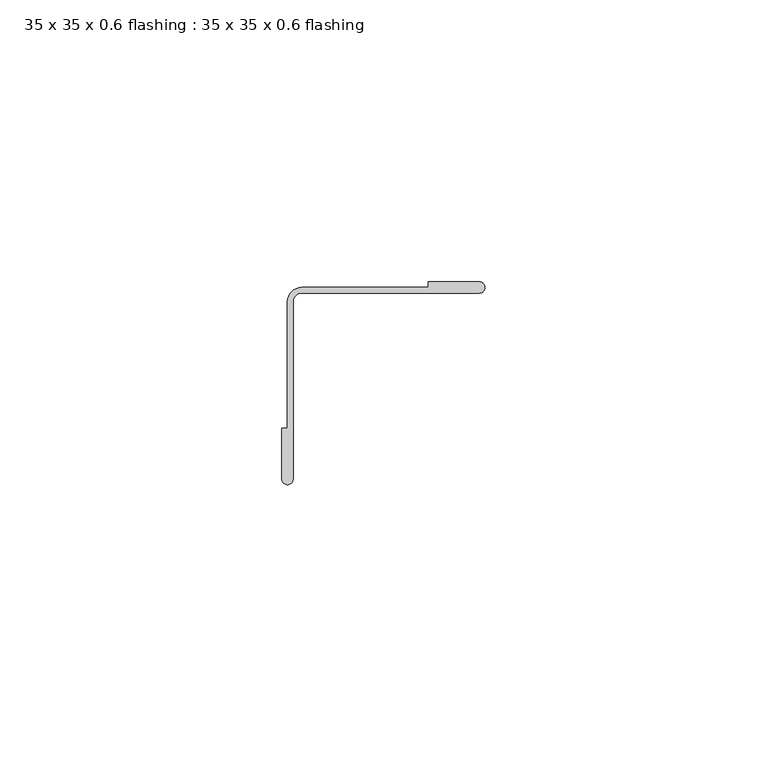
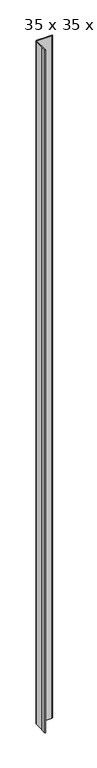
"""IFC4 building model written with IfcOpenShell, lengths in millimetres: proxy geometry, 35 x 35 x 0.6 flashing : 35 x 35 x 0.6 flashing."""

from ifc_helpers import new_model, si_unit, point, frame, frame_2d, origin, place, context, project, spatial, polyline, circle_curve, trimmed, segment, composite_curve, outline, extrude, source, transform, mapped, element, save


def proxy_35_x_35_x_0_6_flashing_35_x_35_x_0_6_flashing_47885a6b(model_context):
    return source(origin(), model_context, "Body", "SweptSolid", [
        extrude(outline(composite_curve([segment(polyline([(-9431.3584849, 881.6461443), (-9431.3584849, 904.1461443)]), True, "CONTINUOUS"), segment(trimmed(circle_curve(frame_2d((-9428.8584849, 904.1461443)), 2.5), [point((-9431.3584849, 904.1461443))], [point((-9428.8584849, 906.6461443))], False, "CARTESIAN"), True, "CONTINUOUS"), segment(polyline([(-9428.8584849, 906.6461443), (-9406.3584849, 906.6461443), (-9406.3584849, 907.6461443), (-9397.3258075, 907.6461443)]), True, "CONTINUOUS"), segment(trimmed(circle_curve(frame_2d((-9397.3258075, 906.6461443)), 1.0), [point((-9397.3258075, 907.6461443))], [point((-9397.3258075, 905.6461443))], False, "CARTESIAN"), True, "CONTINUOUS"), segment(polyline([(-9397.3258075, 905.6461443), (-9428.8584849, 905.6461443)]), True, "CONTINUOUS"), segment(trimmed(circle_curve(frame_2d((-9428.8584849, 904.1461443)), 1.5), [point((-9428.8584849, 905.6461443))], [point((-9430.3584849, 904.1461443))], True, "CARTESIAN"), True, "CONTINUOUS"), segment(polyline([(-9430.3584849, 904.1461443), (-9430.3584849, 872.6443602)]), True, "CONTINUOUS"), segment(trimmed(circle_curve(frame_2d((-9431.3584849, 872.6443602)), 1.0), [point((-9430.3584849, 872.6443602))], [point((-9432.3584849, 872.6443602))], False, "CARTESIAN"), True, "CONTINUOUS"), segment(polyline([(-9432.3584849, 872.6443602), (-9432.3584849, 881.6461443), (-9431.3584849, 881.6461443)]), True, "CONTINUOUS")], self_intersect=False)), frame((0.0, 0.0, 154.3306303), z_axis=(0.0, 0.0, 1.0), x_axis=(1.0, 0.0, 0.0)), (0.0, 0.0, 1.0), 1500.0),
    ])


if __name__ == "__main__":
    model = new_model("IFC4")
    model_context = context("Model", 3, world=origin())
    ifc_project = project(units=[si_unit("LENGTHUNIT", "METRE", prefix="MILLI")], contexts=[model_context])
    site = spatial("IfcSite", under=ifc_project)
    building = spatial("IfcBuilding", under=site)
    placement = place(None, origin())
    proxy_35_x_35_x_0_6_flashing_35_x_35_x_0_6_flashing_shape = proxy_35_x_35_x_0_6_flashing_35_x_35_x_0_6_flashing_47885a6b(model_context)
    element("IfcBuildingElementProxy", 1, Name="35 x 35 x 0.6 flashing : 35 x 35 x 0.6 flashing", ObjectType="35 x 35 x 0.6 flashing : 35 x 35 x 0.6 flashing", at=placement, inside=building, context=model_context, shape_type="MappedRepresentation", body=[
        mapped(proxy_35_x_35_x_0_6_flashing_35_x_35_x_0_6_flashing_shape, transform((0.0, 0.0, 0.0), x_axis=(1.0, 0.0, 0.0), y_axis=(0.0, 1.0, 0.0), z_axis=(0.0, 0.0, 1.0))),
    ])
    save(model, "model.ifc")
